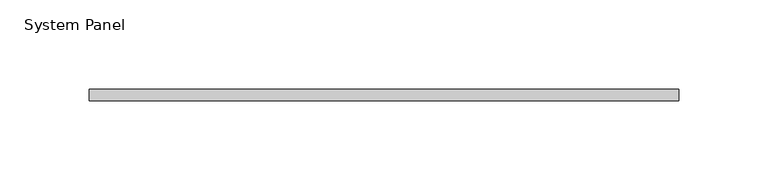
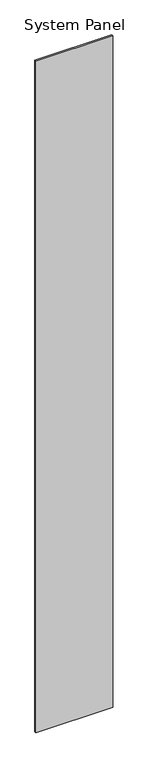
"""IFC4 building model written with IfcOpenShell, lengths in millimetres: plate geometry, System Panel."""

from ifc_helpers import new_model, si_unit, origin, origin_with_axes, place, context, project, spatial, polyline, outline, extrude, source, transform, mapped, element, save


def system_panel_0a7a2f8e(model_context):
    return source(origin(), model_context, "Body", "SweptSolid", [
        extrude(outline(polyline([(165.0921153, 0.0), (-165.0921153, 0.0), (-165.0921153, 6.35), (165.0921153, 6.35), (165.0921153, 0.0)])), origin_with_axes(), (0.0, 0.0, 1.0), 3048.0),
    ])


if __name__ == "__main__":
    model = new_model("IFC4")
    model_context = context("Model", 3, world=origin())
    ifc_project = project(units=[si_unit("LENGTHUNIT", "METRE", prefix="MILLI")], contexts=[model_context])
    site = spatial("IfcSite", under=ifc_project)
    building = spatial("IfcBuilding", under=site)
    placement = place(None, origin())
    system_panel_shape = system_panel_0a7a2f8e(model_context)
    element("IfcPlate", 1, ObjectType="System Panel", at=placement, inside=building, context=model_context, shape_type="MappedRepresentation", body=[
        mapped(system_panel_shape, transform((0.0, 0.0, 0.0), x_axis=(1.0, 0.0, 0.0), y_axis=(0.0, 1.0, 0.0), z_axis=(0.0, 0.0, 1.0))),
    ])
    save(model, "model.ifc")
